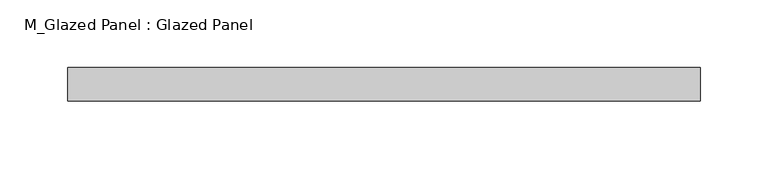
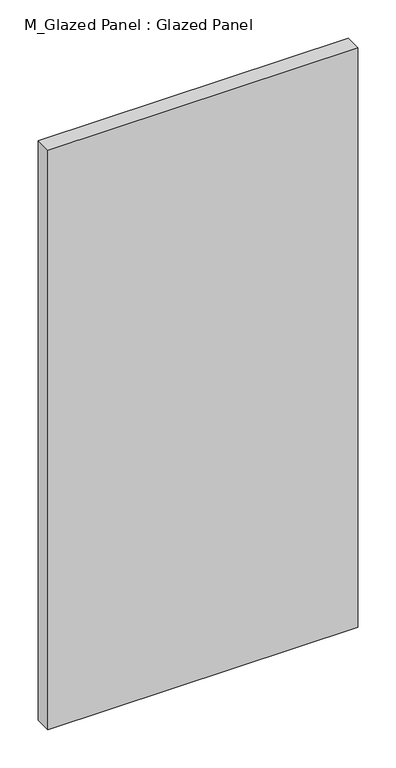
"""IFC4 building model written with IfcOpenShell, lengths in millimetres: plate geometry, M_Glazed Panel : Glazed Panel."""

from ifc_helpers import new_model, si_unit, origin, origin_with_axes, place, context, project, spatial, polyline, outline, extrude, source, transform, mapped, element, save


def m_glazed_panel_glazed_panel_45618552(model_context):
    return source(origin(), model_context, "Body", "SweptSolid", [
        extrude(outline(polyline([(234.0040029, -38.5), (234.0040029, -63.5), (-234.0040029, -63.5), (-234.0040029, -38.5), (234.0040029, -38.5)])), origin_with_axes(), (0.0, 0.0, 1.0), 925.0),
    ])


if __name__ == "__main__":
    model = new_model("IFC4")
    model_context = context("Model", 3, world=origin())
    ifc_project = project(units=[si_unit("LENGTHUNIT", "METRE", prefix="MILLI")], contexts=[model_context])
    site = spatial("IfcSite", under=ifc_project)
    building = spatial("IfcBuilding", under=site)
    placement = place(None, origin())
    m_glazed_panel_glazed_panel_shape = m_glazed_panel_glazed_panel_45618552(model_context)
    element("IfcPlate", 1, ObjectType="M_Glazed Panel : Glazed Panel", at=placement, inside=building, context=model_context, shape_type="MappedRepresentation", body=[
        mapped(m_glazed_panel_glazed_panel_shape, transform((0.0, 0.0, 0.0), x_axis=(1.0, 0.0, 0.0), y_axis=(0.0, 1.0, 0.0), z_axis=(0.0, 0.0, 1.0))),
    ])
    save(model, "model.ifc")
